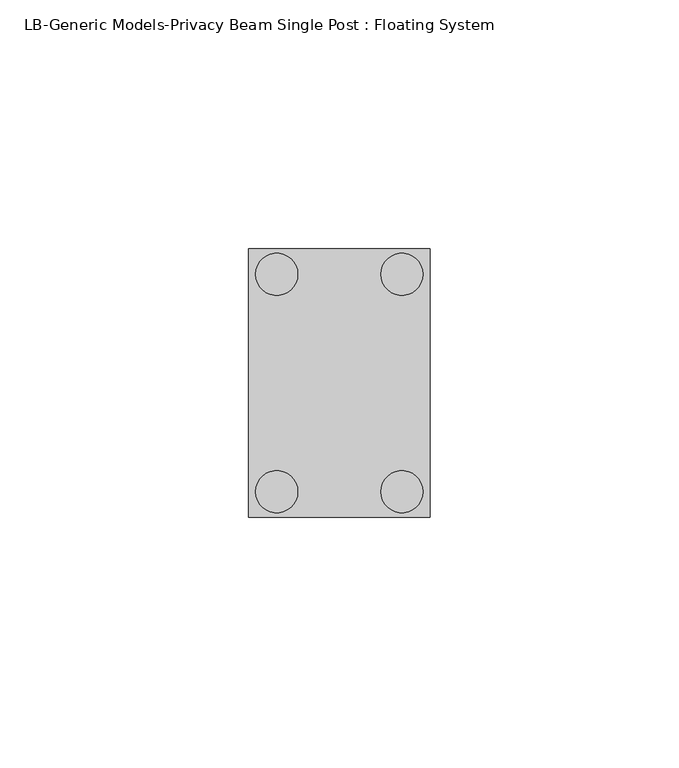
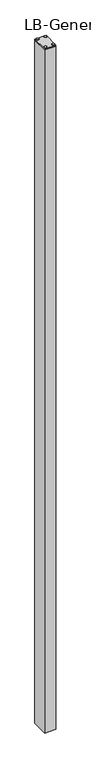
"""IFC4 building model written with IfcOpenShell, lengths in millimetres: proxy geometry, LB-Generic Models-Privacy Beam Single Post : Floating System."""

from ifc_helpers import new_model, si_unit, point, frame, frame_2d, origin, origin_with_axes, place, context, project, spatial, polyline, circle_curve, trimmed, segment, composite_curve, outline, extrude, source, transform, mapped, element, save


def lb_generic_models_privacy_beam_single_post_floating_system_878090bc(model_context):
    return source(origin(), model_context, "Body", "SweptSolid", [
        extrude(outline(polyline([(15.081, 15.875), (15.081, -15.875), (11.017, -15.875), (11.017, 15.875), (15.081, 15.875)])), origin_with_axes(), (0.0, 0.0, 1.0), 1739.9),
        extrude(outline(polyline([(-18.2565, 26.9875), (18.2565, 26.9875), (18.2565, -26.9875), (-18.2565, -26.9875), (-18.2565, 26.9875)])), frame((0.0, 0.0, 1739.9), z_axis=(0.0, 0.0, 1.0), x_axis=(1.0, 0.0, 0.0)), (0.0, 0.0, 1.0), 4.0792363),
        extrude(outline(polyline([(-18.2565, 26.9875), (18.2565, 26.9875), (18.2565, 13.4874), (15.081, 13.4874), (15.081, 23.8125), (-15.0815, 23.8125), (-15.0815, -23.8125), (15.081, -23.8125), (15.081, -13.4874), (18.2565, -13.4874), (18.2565, -26.9875), (-18.2565, -26.9875), (-18.2565, 26.9875)])), frame((0.0, 0.0, -579.9666667), z_axis=(0.0, 0.0, 1.0), x_axis=(1.0, 0.0, 0.0)), (0.0, 0.0, 1.0), 2319.8666667),
        extrude(outline(composite_curve([segment(trimmed(circle_curve(frame_2d((-12.586, 21.844)), 4.2243107), [point((-16.8103107, 21.844))], [point((-8.3616893, 21.844))], False, "CARTESIAN"), True, "CONTINUOUS"), segment(trimmed(circle_curve(frame_2d((-12.586, 21.844)), 4.2243107), [point((-8.3616893, 21.844))], [point((-16.8103107, 21.844))], False, "CARTESIAN"), True, "CONTINUOUS")], self_intersect=False)), frame((0.0, 0.0, 1743.9792363), z_axis=(0.0, 0.0, 1.0), x_axis=(1.0, 0.0, 0.0)), (0.0, 0.0, 1.0), 1.6499867),
        extrude(outline(composite_curve([segment(trimmed(circle_curve(frame_2d((12.586, 21.844)), 4.2243107), [point((8.3616893, 21.844))], [point((16.8103107, 21.844))], False, "CARTESIAN"), True, "CONTINUOUS"), segment(trimmed(circle_curve(frame_2d((12.586, 21.844)), 4.2243107), [point((16.8103107, 21.844))], [point((8.3616893, 21.844))], False, "CARTESIAN"), True, "CONTINUOUS")], self_intersect=False)), frame((0.0, 0.0, 1743.9792363), z_axis=(0.0, 0.0, 1.0), x_axis=(1.0, 0.0, 0.0)), (0.0, 0.0, 1.0), 1.6499867),
        extrude(outline(composite_curve([segment(trimmed(circle_curve(frame_2d((12.586, -21.844)), 4.2243107), [point((8.3616893, -21.844))], [point((16.8103107, -21.844))], False, "CARTESIAN"), True, "CONTINUOUS"), segment(trimmed(circle_curve(frame_2d((12.586, -21.844)), 4.2243107), [point((16.8103107, -21.844))], [point((8.3616893, -21.844))], False, "CARTESIAN"), True, "CONTINUOUS")], self_intersect=False)), frame((0.0, 0.0, 1743.9792363), z_axis=(0.0, 0.0, 1.0), x_axis=(1.0, 0.0, 0.0)), (0.0, 0.0, 1.0), 1.6499867),
        extrude(outline(composite_curve([segment(trimmed(circle_curve(frame_2d((-12.586, -21.844)), 4.2243107), [point((-16.8103107, -21.844))], [point((-8.3616893, -21.844))], False, "CARTESIAN"), True, "CONTINUOUS"), segment(trimmed(circle_curve(frame_2d((-12.586, -21.844)), 4.2243107), [point((-8.3616893, -21.844))], [point((-16.8103107, -21.844))], False, "CARTESIAN"), True, "CONTINUOUS")], self_intersect=False)), frame((0.0, 0.0, 1743.9792363), z_axis=(0.0, 0.0, 1.0), x_axis=(1.0, 0.0, 0.0)), (0.0, 0.0, 1.0), 1.6499867),
    ])


if __name__ == "__main__":
    model = new_model("IFC4")
    model_context = context("Model", 3, world=origin())
    ifc_project = project(units=[si_unit("LENGTHUNIT", "METRE", prefix="MILLI")], contexts=[model_context])
    site = spatial("IfcSite", under=ifc_project)
    building = spatial("IfcBuilding", under=site)
    placement = place(None, origin())
    lb_generic_models_privacy_beam_single_post_floating_system_shape = lb_generic_models_privacy_beam_single_post_floating_system_878090bc(model_context)
    element("IfcBuildingElementProxy", 1, Name="LB-Generic Models-Privacy Beam Single Post : Floating System", ObjectType="LB-Generic Models-Privacy Beam Single Post : Floating System", at=placement, inside=building, context=model_context, shape_type="MappedRepresentation", body=[
        mapped(lb_generic_models_privacy_beam_single_post_floating_system_shape, transform((0.0, 0.0, 0.0), x_axis=(1.0, 0.0, 0.0), y_axis=(0.0, 1.0, 0.0), z_axis=(0.0, 0.0, 1.0))),
    ])
    save(model, "model.ifc")
